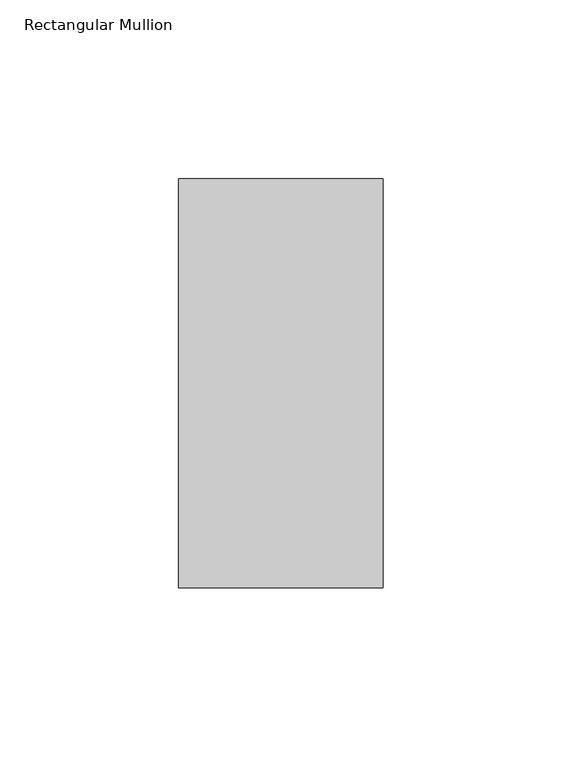
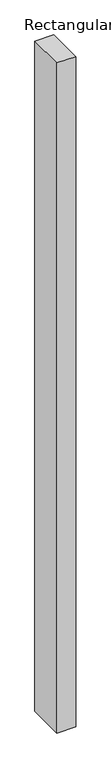
"""IFC4 building model written with IfcOpenShell, lengths in millimetres: member geometry, Rectangular Mullion."""

from ifc_helpers import new_model, si_unit, frame, origin, place, context, project, spatial, polyline, outline, extrude, source, transform, mapped, element, save


def rectangular_mullion_c2ad8e51(model_context):
    return source(origin(), model_context, "Body", "SweptSolid", [
        extrude(outline(polyline([(0.0, 57.12714), (0.0, -57.17286), (-57.15, -57.17286), (-57.15, 57.12714), (0.0, 57.12714)])), frame((0.0, 0.0, -2133.6), z_axis=(0.0, 0.0, 1.0), x_axis=(1.0, 0.0, 0.0)), (0.0, 0.0, 1.0), 2133.6),
    ])


if __name__ == "__main__":
    model = new_model("IFC4")
    model_context = context("Model", 3, world=origin())
    ifc_project = project(units=[si_unit("LENGTHUNIT", "METRE", prefix="MILLI")], contexts=[model_context])
    site = spatial("IfcSite", under=ifc_project)
    building = spatial("IfcBuilding", under=site)
    placement = place(None, origin())
    rectangular_mullion_shape = rectangular_mullion_c2ad8e51(model_context)
    element("IfcMember", 1, ObjectType="Rectangular Mullion", at=placement, inside=building, context=model_context, shape_type="MappedRepresentation", body=[
        mapped(rectangular_mullion_shape, transform((0.0, 0.0, 0.0), x_axis=(1.0, 0.0, 0.0), y_axis=(0.0, 1.0, 0.0), z_axis=(0.0, 0.0, 1.0))),
    ])
    save(model, "model.ifc")
